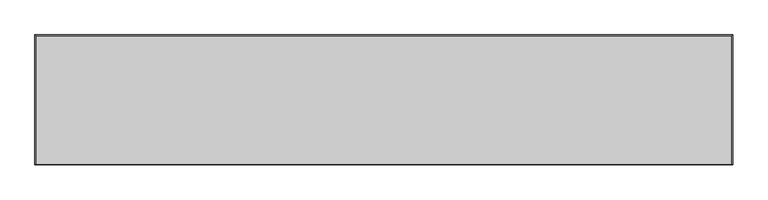
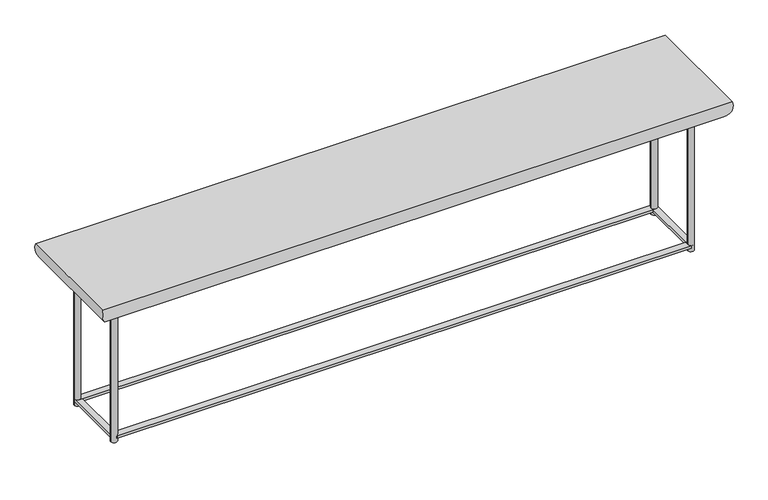
"""IFC4 building model written with IfcOpenShell, lengths in millimetres: furniture geometry."""

from ifc_helpers import new_model, si_unit, point, frame, frame_2d, origin, origin_with_axes, place, context, project, spatial, polyline, circle_curve, ellipse_curve, trimmed, segment, composite_curve, outline, extrude, source, transform, mapped, element, save
from ifc_brep_helpers import plane_surface, cylinder_surface, advanced_brep


def furniture_307d4bed(model_context):
    return source(origin(), model_context, "Body", "SolidModel", [
        extrude(outline(composite_curve([segment(trimmed(circle_curve(frame_2d((549.4528, 60.5004981)), 6.096), [point((555.5488, 60.5004981))], [point((543.3568, 60.5004981))], False, "CARTESIAN"), True, "CONTINUOUS"), segment(trimmed(circle_curve(frame_2d((549.4528, 60.5004981)), 6.096), [point((543.3568, 60.5004981))], [point((555.5488, 60.5004981))], False, "CARTESIAN"), True, "CONTINUOUS")], self_intersect=False)), origin_with_axes(), (0.0, 0.0, 1.0), 269.88008),
        extrude(outline(composite_curve([segment(trimmed(circle_curve(frame_2d((549.4528, -60.5004981)), 6.096), [point((555.5488, -60.5004981))], [point((543.3568, -60.5004981))], False, "CARTESIAN"), True, "CONTINUOUS"), segment(trimmed(circle_curve(frame_2d((549.4528, -60.5004981)), 6.096), [point((543.3568, -60.5004981))], [point((555.5488, -60.5004981))], False, "CARTESIAN"), True, "CONTINUOUS")], self_intersect=False)), origin_with_axes(), (0.0, 0.0, 1.0), 269.88008),
        extrude(outline(composite_curve([segment(trimmed(circle_curve(frame_2d((-549.4528, 60.5004981)), 6.096), [point((-543.3568, 60.5004981))], [point((-555.5488, 60.5004981))], False, "CARTESIAN"), True, "CONTINUOUS"), segment(trimmed(circle_curve(frame_2d((-549.4528, 60.5004981)), 6.096), [point((-555.5488, 60.5004981))], [point((-543.3568, 60.5004981))], False, "CARTESIAN"), True, "CONTINUOUS")], self_intersect=False)), origin_with_axes(), (0.0, 0.0, 1.0), 269.88008),
        advanced_brep(
        [(569.24956, 80.2972581, 269.88008), (599.44, 110.4876981, 309.88), (599.44, -110.4876981, 309.88), (569.24956, -80.2972581, 269.88008), (-599.44, -110.4876981, 309.88), (-569.24956, -80.2972581, 269.88008), (-599.44, 110.4876981, 309.88), (-569.24956, 80.2972581, 269.88008)],
        [
            (0, 1, ellipse_curve(frame((569.24956, 80.2972581, 301.2733461), z_axis=(0.7071067811865475, -0.7071067811865475, 0.0), x_axis=(0.7071067811865474, 0.7071067811865476, 0.0)), 44.3967827, 31.3932661)),
            (1, 2),
            (2, 3, ellipse_curve(frame((569.24956, -80.2972581, 301.2733461), z_axis=(0.7071067811865475, 0.7071067811865475, 0.0), x_axis=(-0.7071067811865474, 0.7071067811865476, 0.0)), 44.3967827, 31.3932661)),
            (3, 0),
            (2, 4),
            (4, 5, ellipse_curve(frame((-569.24956, -80.2972581, 301.2733461), z_axis=(0.7071067811865475, -0.7071067811865475, 0.0), x_axis=(0.7071067811865476, 0.7071067811865474, 0.0)), 44.3967827, 31.3932661)),
            (5, 3),
            (4, 6),
            (6, 7, ellipse_curve(frame((-569.24956, 80.2972581, 301.2733461), z_axis=(-0.7071067811865475, -0.7071067811865475, 0.0), x_axis=(0.7071067811865474, -0.7071067811865476, 0.0)), 44.3967827, 31.3932661)),
            (7, 5),
            (1, 6),
            (0, 7),
        ],
        [
            cylinder_surface(frame((569.24956, 60.5004981, 301.2733461), z_axis=(0.0, 1.0, 0.0), x_axis=(1.0, 0.0, 0.0)), 31.3932661),
            cylinder_surface(frame((549.4528, -80.2972581, 301.2733461), z_axis=(1.0, 0.0, 0.0), x_axis=(0.0, -1.0, 0.0)), 31.3932661),
            cylinder_surface(frame((-569.24956, -60.5004981, 301.2733461), z_axis=(0.0, -1.0, 0.0), x_axis=(-1.0, 0.0, 0.0)), 31.3932661),
            plane_surface(frame((-549.4528, 60.5004981, 309.88), z_axis=(0.0, 0.0, 1.0), x_axis=(1.0, 0.0, 0.0))),
            cylinder_surface(frame((-549.4528, 80.2972581, 301.2733461), z_axis=(-1.0, 0.0, 0.0), x_axis=(0.0, 1.0, 0.0)), 31.3932661),
            plane_surface(frame((-569.24956, 80.2972581, 269.88008), z_axis=(0.0, 0.0, -1.0), x_axis=(1.0, 0.0, 0.0))),
        ],
        [
            (0, [[1, 2, 3, 4]]),
            (1, [[-3, 5, 6, 7]]),
            (2, [[-6, 8, 9, 10]]),
            (3, [[-2, 11, -8, -5]]),
            (4, [[-1, 12, -9, -11]]),
            (5, [[-4, -7, -10, -12]]),
        ],
    ),
        extrude(outline(composite_curve([segment(trimmed(circle_curve(frame_2d((-549.4528, 60.5004981)), 5.99948), [point((-555.45228, 60.5004981))], [point((-543.45332, 60.5004981))], False, "CARTESIAN"), True, "CONTINUOUS"), segment(trimmed(circle_curve(frame_2d((-549.4528, 60.5004981)), 5.99948), [point((-543.45332, 60.5004981))], [point((-555.45228, 60.5004981))], False, "CARTESIAN"), True, "CONTINUOUS")], self_intersect=False)), origin_with_axes(), (0.0, 0.0, 1.0), 269.88008),
        extrude(outline(composite_curve([segment(trimmed(circle_curve(frame_2d((-549.4528, -60.5004981)), 6.096), [point((-543.3568, -60.5004981))], [point((-555.5488, -60.5004981))], False, "CARTESIAN"), True, "CONTINUOUS"), segment(trimmed(circle_curve(frame_2d((-549.4528, -60.5004981)), 6.096), [point((-555.5488, -60.5004981))], [point((-543.3568, -60.5004981))], False, "CARTESIAN"), True, "CONTINUOUS")], self_intersect=False)), origin_with_axes(), (0.0, 0.0, 1.0), 269.88008),
        extrude(outline(polyline([(549.4528, -54.4044981), (549.4528, -66.5964981), (-549.4528, -66.5964981), (-549.4528, -54.4044981), (549.4528, -54.4044981)])), frame((0.0, 0.0, 7.45998), z_axis=(0.0, 0.0, 1.0), x_axis=(1.0, 0.0, 0.0)), (0.0, 0.0, 1.0), 5.08),
        extrude(outline(polyline([(549.4528, 66.5964981), (549.4528, 54.4044981), (-549.4528, 54.4044981), (-549.4528, 66.5964981), (549.4528, 66.5964981)])), frame((0.0, 0.0, 7.45998), z_axis=(0.0, 0.0, 1.0), x_axis=(1.0, 0.0, 0.0)), (0.0, 0.0, 1.0), 5.08),
        extrude(outline(polyline([(555.5488, -60.5004981), (543.3568, -60.5004981), (543.3568, 60.5004981), (555.5488, 60.5004981), (555.5488, -60.5004981)])), frame((0.0, 0.0, 7.45998), z_axis=(0.0, 0.0, 1.0), x_axis=(1.0, 0.0, 0.0)), (0.0, 0.0, 1.0), 5.08),
        extrude(outline(polyline([(-543.3568, -60.5004981), (-555.5488, -60.5004981), (-555.5488, 60.5004981), (-543.3568, 60.5004981), (-543.3568, -60.5004981)])), frame((0.0, 0.0, 7.45998), z_axis=(0.0, 0.0, 1.0), x_axis=(1.0, 0.0, 0.0)), (0.0, 0.0, 1.0), 5.08),
    ])


if __name__ == "__main__":
    model = new_model("IFC4")
    model_context = context("Model", 3, world=origin())
    ifc_project = project(units=[si_unit("LENGTHUNIT", "METRE", prefix="MILLI")], contexts=[model_context])
    site = spatial("IfcSite", under=ifc_project)
    building = spatial("IfcBuilding", under=site)
    placement = place(None, origin())
    furniture_shape = furniture_307d4bed(model_context)
    element("IfcFurniture", 1, at=placement, inside=building, context=model_context, shape_type="MappedRepresentation", body=[
        mapped(furniture_shape, transform((0.0, 0.0, 0.0), x_axis=(1.0, 0.0, 0.0), y_axis=(0.0, 1.0, 0.0), z_axis=(0.0, 0.0, 1.0))),
    ])
    save(model, "model.ifc")
